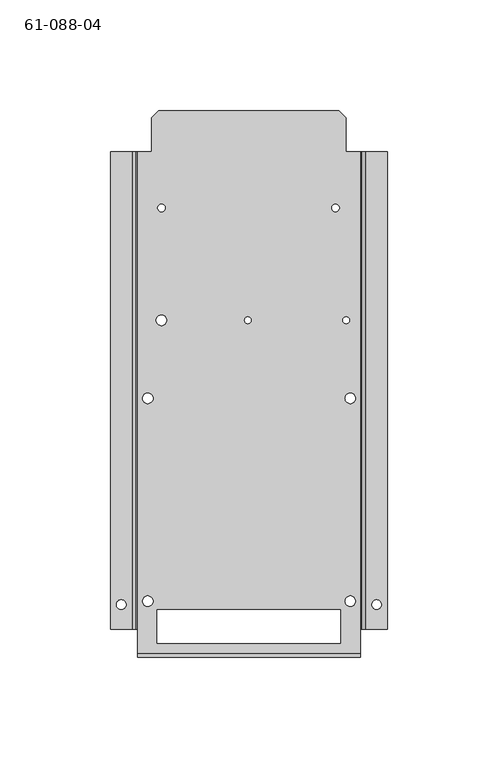
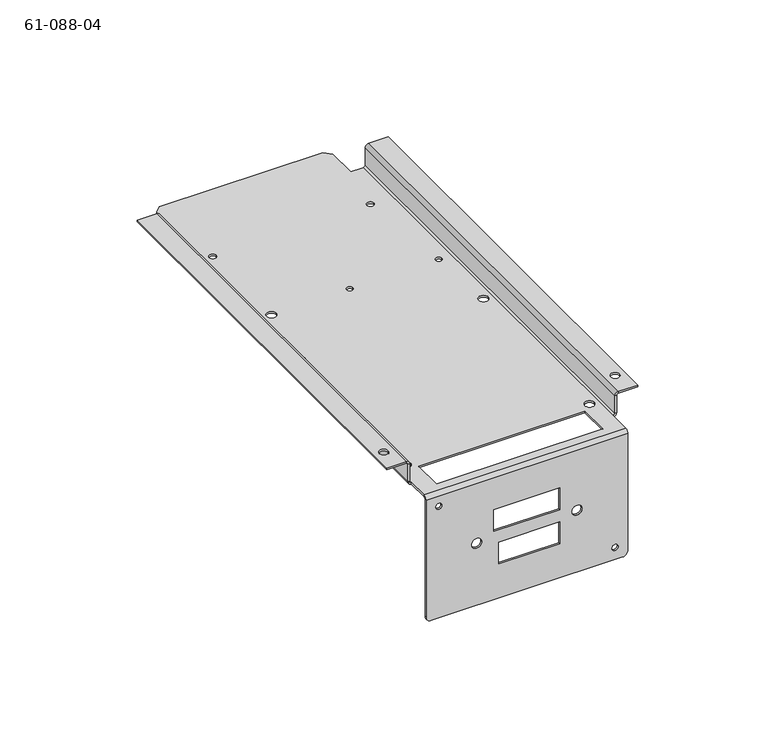
"""IFC4 building model written with IfcOpenShell, lengths in millimetres: proxy geometry, 61-088-04."""

import ifcopenshell
import ifcopenshell.guid

model = None  # the IFC model being written
_history = None  # IfcOwnerHistory: only IFC2X3 demands one
_inside = {}  # id of a spatial element -> (the spatial element, [elements in it])
_under = {}  # id of a project, library or spatial element -> (it, [spatial elements below it])
_declared = {}  # id of a project -> (the project, [libraries it declares])
_typed = {}  # id of a type object -> (the type object, [elements of that type])
_made_of = {}  # id of a material, layer set ... -> (it, [elements and type objects made of it])


def new_model(schema):
    """Start an empty IFC model of exactly this schema.

    Asked for "IFC4X3", IfcOpenShell would pick the latest addendum, in which some entities
    have other attributes; the version numbers below select the first issue.
    IFC2X3 requires an IfcOwnerHistory on every rooted entity: one is made here for all.
    """
    global model, _history
    if schema == "IFC4X3":
        model = ifcopenshell.file(schema_version=(4, 3, 0, 0))
    else:
        model = ifcopenshell.file(schema=schema)
    _inside.clear()
    _under.clear()
    _declared.clear()
    _typed.clear()
    _made_of.clear()
    _history = None
    if model.schema == "IFC2X3":
        org = make("IfcOrganization", Name="unknown")
        user = make(
            "IfcPersonAndOrganization",
            ThePerson=make("IfcPerson", FamilyName="unknown"),
            TheOrganization=org,
        )
        app = make(
            "IfcApplication",
            ApplicationDeveloper=org,
            Version="unknown",
            ApplicationFullName="unknown",
            ApplicationIdentifier="unknown",
        )
        _history = make(
            "IfcOwnerHistory",
            OwningUser=user,
            OwningApplication=app,
            ChangeAction="ADDED",
            CreationDate=0,
        )
    return model


def make(cls, **values):
    """One entity of the class cls with the attributes given. An attribute that is None is left unset."""
    return model.create_entity(
        cls, **{name: value for name, value in values.items() if value is not None}
    )


def rooted(cls, **values):
    """An entity with a GlobalId (a new one), such as an element, a storey or a relation."""
    return make(cls, GlobalId=ifcopenshell.guid.new(), OwnerHistory=_history, **values)


def si_unit(unit_type, name, prefix=None):
    """IfcSIUnit, for example si_unit("LENGTHUNIT", "METRE", prefix="MILLI")."""
    return make("IfcSIUnit", UnitType=unit_type, Prefix=prefix, Name=name)


def assignment(units):
    """IfcUnitAssignment: the units of a project."""
    return None if units is None else make("IfcUnitAssignment", Units=units)


def point(xyz):
    """IfcCartesianPoint."""
    return None if xyz is None else make("IfcCartesianPoint", Coordinates=xyz)


def direction(xyz):
    """IfcDirection."""
    return None if xyz is None else make("IfcDirection", DirectionRatios=xyz)


def frame(location, z_axis=None, x_axis=None):
    """IfcAxis2Placement3D, a coordinate frame: its origin and axes. An axis left out is left unset."""
    return make(
        "IfcAxis2Placement3D",
        Location=point(location),
        Axis=direction(z_axis),
        RefDirection=direction(x_axis),
    )


def origin():
    """The frame at (0, 0, 0) with its axes left unset."""
    return frame((0.0, 0.0, 0.0))


def place(relative_to, where):
    """IfcLocalPlacement: puts the frame where relative to a parent placement (None: the world)."""
    return make(
        "IfcLocalPlacement", PlacementRelTo=relative_to, RelativePlacement=where
    )


def context(
    kind, dimensions, precision=None, world=None, true_north=None, identifier=None
):
    """IfcGeometricRepresentationContext, for example the 3D "Model" context."""
    return make(
        "IfcGeometricRepresentationContext",
        ContextIdentifier=identifier,
        ContextType=kind,
        CoordinateSpaceDimension=dimensions,
        Precision=precision,
        WorldCoordinateSystem=world,
        TrueNorth=true_north,
    )


def project(units=None, contexts=None):
    """IfcProject with its units and contexts."""
    return rooted(
        "IfcProject",
        Name="project",
        RepresentationContexts=contexts,
        UnitsInContext=assignment(units),
    )


def spatial(cls, under=None, at=None, **own):
    """A site, building, storey or space (cls), placed at a placement, below another one or the project."""
    s = rooted(cls, ObjectPlacement=at, **own)
    if under is not None:
        _under.setdefault(under.id(), (under, []))[1].append(s)
    return s


def polyline(points):
    """IfcPolyline through the points."""
    return make("IfcPolyline", Points=[point(p) for p in points])


def circle_curve(where, radius):
    """IfcCircle in the frame where."""
    return make("IfcCircle", Position=where, Radius=radius)


def shape(context_of_items, identifier, shape_type, items):
    """IfcShapeRepresentation: the items that make up one representation, for example the "Body"."""
    return make(
        "IfcShapeRepresentation",
        ContextOfItems=context_of_items,
        RepresentationIdentifier=identifier,
        RepresentationType=shape_type,
        Items=items,
    )


def source(mapping_origin, context_of_items, identifier, shape_type, items):
    """IfcRepresentationMap: a shape defined once, which mapped items show again and again."""
    return make(
        "IfcRepresentationMap",
        MappingOrigin=mapping_origin,
        MappedRepresentation=shape(context_of_items, identifier, shape_type, items),
    )


def transform(
    local_origin,
    x_axis=None,
    y_axis=None,
    z_axis=None,
    scale=None,
    scale2=None,
    scale3=None,
    uniform=True,
):
    """IfcCartesianTransformationOperator3D, or its non-uniform kind. x_axis, y_axis, z_axis: its Axis1, 2, 3."""
    if uniform:
        return make(
            "IfcCartesianTransformationOperator3D",
            Axis1=direction(x_axis),
            Axis2=direction(y_axis),
            LocalOrigin=point(local_origin),
            Scale=scale,
            Axis3=direction(z_axis),
        )
    return make(
        "IfcCartesianTransformationOperator3DnonUniform",
        Axis1=direction(x_axis),
        Axis2=direction(y_axis),
        LocalOrigin=point(local_origin),
        Scale=scale,
        Axis3=direction(z_axis),
        Scale2=scale2,
        Scale3=scale3,
    )


def mapped(mapping_source, mapping_target):
    """IfcMappedItem: shows the shape of a source again, moved by a transform."""
    return make(
        "IfcMappedItem", MappingSource=mapping_source, MappingTarget=mapping_target
    )


def made_of(thing, what):
    """Note that an element or type object is made of a material, layer set ...; save() writes the relation."""
    if what is not None:
        _made_of.setdefault(what.id(), (what, []))[1].append(thing)
    return thing


def element(
    cls,
    number,
    at=None,
    inside=None,
    cuts=None,
    type_object=None,
    material=None,
    context=None,
    identifier="Body",
    shape_type=None,
    held_by="IfcProductDefinitionShape",
    body=None,
    shapes=None,
    **own,
):
    """One element of the class cls, such as IfcWall. Its Tag is "e" and its number.

    at: its placement. inside: the storey or other place that contains it. cuts: it is an
    opening in that element (IfcRelVoidsElement). A single representation is given by context,
    identifier, shape_type and body (its items); several are given by shapes. held_by: the class
    of the entity that holds the representations. save() writes the other relations.
    """
    e = rooted(cls, Tag="e%d" % number, ObjectPlacement=at, **own)
    if body is not None:
        shapes = [shape(context, identifier, shape_type, body)]
    if shapes is not None:
        e.Representation = make(held_by, Representations=shapes)
    if inside is not None:
        _inside.setdefault(inside.id(), (inside, []))[1].append(e)
    if cuts is not None:
        rooted(
            "IfcRelVoidsElement", RelatingBuildingElement=cuts, RelatedOpeningElement=e
        )
    if type_object is not None:
        _typed.setdefault(type_object.id(), (type_object, []))[1].append(e)
    return made_of(e, material)


def aggregate(whole, parts):
    """IfcRelAggregates: a whole, such as a stair, and the parts it consists of."""
    return rooted("IfcRelAggregates", RelatingObject=whole, RelatedObjects=parts)


def save(model, path):
    """Write the relations noted so far, then the file.

    IfcRelAggregates (storeys below a building ...), IfcRelContainedInSpatialStructure (elements
    in a storey), IfcRelDefinesByType, IfcRelAssociatesMaterial and IfcRelDeclares: one each for
    every whole, place, type object, material and project.
    """
    for whole, parts in _under.values():
        aggregate(whole, parts)
    for where, things in _inside.values():
        rooted(
            "IfcRelContainedInSpatialStructure",
            RelatedElements=things,
            RelatingStructure=where,
        )
    for kind, things in _typed.values():
        rooted("IfcRelDefinesByType", RelatedObjects=things, RelatingType=kind)
    for what, things in _made_of.values():
        rooted("IfcRelAssociatesMaterial", RelatedObjects=things, RelatingMaterial=what)
    for by, libraries in _declared.values():
        rooted("IfcRelDeclares", RelatingContext=by, RelatedDefinitions=libraries)
    model.write(path)


def plane_surface(at):
    """IfcPlane: the flat surface through the origin of the frame at, square to its z axis."""
    return make("IfcPlane", Position=at)


def cylinder_surface(at, radius):
    """IfcCylindricalSurface: all points at the distance radius from the z axis of the frame at."""
    return make("IfcCylindricalSurface", Position=at, Radius=radius)


def revolved_surface(curve, axis_point, axis_direction):
    """IfcSurfaceOfRevolution: the curve turned about the line through axis_point along axis_direction."""
    return make(
        "IfcSurfaceOfRevolution",
        SweptCurve=make("IfcArbitraryOpenProfileDef", ProfileType="CURVE", Curve=curve),
        AxisPosition=make("IfcAxis1Placement", Location=point(axis_point), Axis=direction(axis_direction)),
    )


def advanced_brep(points, edges, surfaces, faces):
    """IfcAdvancedBrep: a solid bounded by faces that lie on surfaces and meet in shared edges.

    An edge is (start, end): straight between two places in points (the first is 0);
    or (start, end, curve); or (start, end, curve, False) where it runs against its curve.
    A face is (place in surfaces, loops), or (place, loops, False) where it looks against
    its surface's normal. A loop lists edges by number (the first is 1), with a minus sign
    where the edge is run from its end to its start. The first loop is the outer one.
    """
    corners = [point(p) for p in points]
    vertices = [make("IfcVertexPoint", VertexGeometry=c) for c in corners]
    made = []
    for start, end, *more in edges:
        made.append(
            make(
                "IfcEdgeCurve",
                EdgeStart=vertices[start],
                EdgeEnd=vertices[end],
                EdgeGeometry=more[0] if more else make("IfcPolyline", Points=[corners[start], corners[end]]),
                SameSense=more[1] if len(more) > 1 else True,
            )
        )
    hull = []
    for where, loops, *sense in faces:
        bounds = []
        for j, loop in enumerate(loops):
            ring = [make("IfcOrientedEdge", EdgeElement=made[abs(k) - 1], Orientation=k > 0) for k in loop]
            bounds.append(
                make(
                    "IfcFaceOuterBound" if j == 0 else "IfcFaceBound",
                    Bound=make("IfcEdgeLoop", EdgeList=ring),
                    Orientation=True,
                )
            )
        hull.append(make("IfcAdvancedFace", Bounds=bounds, FaceSurface=surfaces[where], SameSense=sense[0] if sense else True))
    return make("IfcAdvancedBrep", Outer=make("IfcClosedShell", CfsFaces=hull))


def proxy_61_088_04_9e9f410b(model_context):
    return source(origin(), model_context, "Body", "AdvancedBrep", [
        advanced_brep(
        [(81.2097389, -62.0245937, 12.7), (81.2097389, -62.0245937, 11.8364), (85.5531389, -62.0245937, 11.8364), (85.5531389, -62.0245937, 12.7), (-34.3602611, -62.0245937, 12.7), (-34.3602611, -62.0245937, 11.8364), (-30.0168611, -62.0245937, 11.8364), (-30.0168611, -62.0245937, 12.7), (-17.817944, 31.2098567, 0.8636), (-17.817944, 31.2098567, 0.0), (-22.567744, 31.2098567, 0.0), (-22.567744, 31.2098567, 0.8636), (73.876056, -60.4841444, 0.8636), (73.876056, -60.4841444, 0.0), (69.126256, -60.4841444, 0.0), (69.126256, -60.4841444, 0.8636), (-17.817944, -60.4841444, 0.8636), (-17.817944, -60.4841444, 0.0), (-22.567744, -60.4841444, 0.0), (-22.567744, -60.4841444, 0.8636), (73.876056, 31.2098567, 0.8636), (73.876056, 31.2098567, 0.0), (69.126256, 31.2098567, 0.0), (69.126256, 31.2098567, 0.8636), (-12.2555, 117.3158556, 0.8636), (-12.2555, 117.3158556, 0.0), (-15.6845, 117.3158556, 0.0), (-15.6845, 117.3158556, 0.8636), (-11.5951, 66.5158556, 0.8636), (-11.5951, 66.5158556, 0.0), (-16.3449, 66.5158556, 0.0), (-16.3449, 66.5158556, 0.8636), (26.658595, 66.5158556, 0.8636), (26.658595, 66.5158556, 0.0), (23.610595, 66.5158556, 0.0), (23.610595, 66.5158556, 0.8636), (71.108595, 66.5158556, 0.8636), (71.108595, 66.5158556, 0.0), (68.060595, 66.5158556, 0.0), (68.060595, 66.5158556, 0.8636), (66.4845, 117.3158556, 0.8636), (66.4845, 117.3158556, 0.0), (63.0555, 117.3158556, 0.0), (63.0555, 117.3158556, 0.8636), (-1.9428611, -85.0205444, -32.4764), (-1.9428611, -85.8841444, -32.4764), (3.1371389, -85.8841444, -32.4764), (3.1371389, -85.0205444, -32.4764), (48.0571389, -85.0205444, -32.4764), (48.0571389, -85.8841444, -32.4764), (53.1371389, -85.8841444, -32.4764), (53.1371389, -85.0205444, -32.4764), (68.0652389, -85.0205444, -58.8264), (68.0652389, -85.8841444, -58.8264), (71.1132389, -85.8841444, -58.8264), (71.1132389, -85.0205444, -58.8264), (-19.9203611, -85.0205444, -6.35), (-19.9203611, -85.8841444, -6.35), (-16.8723611, -85.8841444, -6.35), (-16.8723611, -85.0205444, -6.35), (67.0492389, -79.5341444, 0.0), (-15.8563611, -79.5341444, 0.0), (-15.8563611, -79.5341444, 0.8636), (67.0492389, -79.5341444, 0.8636), (-15.8563611, -64.2941444, 0.0), (-15.8563611, -64.2941444, 0.8636), (67.0492389, -64.2941444, 0.0), (67.0492389, -64.2941444, 0.8636), (75.9392389, -85.8841444, -62.6364), (73.3992389, -85.8841444, -65.1764), (73.3992389, -85.0205444, -65.1764), (75.9392389, -85.0205444, -62.6364), (75.9392389, -85.0205444, -0.8636), (75.9392389, -85.8841444, -0.8636), (-22.2063611, -85.0205444, -65.1764), (-24.7463611, -85.0205444, -62.6364), (-24.7463611, -85.0205444, -0.8636), (42.1064389, -85.0205444, -35.7614), (11.6264389, -85.0205444, -35.7614), (11.6264389, -85.0205444, -47.1914), (42.1064389, -85.0205444, -47.1914), (42.1064389, -85.0205444, -17.7614), (9.0864389, -85.0205444, -17.7614), (9.0864389, -85.0205444, -29.1914), (42.1064389, -85.0205444, -29.1914), (-22.2063611, -85.8841444, -65.1764), (-24.7463611, -85.8841444, -62.6364), (-24.7463611, -85.8841444, -0.8636), (42.1064389, -85.8841444, -35.7614), (11.6264389, -85.8841444, -35.7614), (11.6264389, -85.8841444, -47.1914), (42.1064389, -85.8841444, -47.1914), (42.1064389, -85.8841444, -17.7614), (9.0864389, -85.8841444, -17.7614), (9.0864389, -85.8841444, -29.1914), (42.1064389, -85.8841444, -29.1914), (75.9392389, -84.1569444, 0.8636), (-24.7463611, -84.1569444, 0.8636), (75.9392389, -84.1569444, 0.0), (-24.7463611, -84.1569444, 0.0), (-24.7463611, -73.1841444, 0.8636), (-24.7463611, -73.1841444, 0.0), (75.9392389, -73.1841444, 0.8636), (75.9392389, 142.7158556, 0.8636), (69.5525621, 142.7158556, 0.8636), (69.5525621, 158.1347723, 0.8636), (66.3786789, 161.3086556, 0.8636), (-15.1832611, 161.3086556, 0.8636), (-18.3596844, 158.1322323, 0.8636), (-18.3596844, 142.7158556, 0.8636), (-24.7463611, 142.7158556, 0.8636), (75.9392389, -73.1841444, 0.0), (-18.3596844, 158.1322323, 0.0), (-18.3596844, 142.7158556, 0.0), (-15.1832611, 161.3086556, 0.0), (66.3786789, 161.3086556, 0.0), (69.5525621, 158.1347723, 0.0), (69.5525621, 142.7158556, 0.0), (75.9392389, 142.7158556, 0.0), (-24.7463611, 142.7158556, 0.0), (78.5300389, 142.7158556, 11.8364), (78.5300389, -73.1841444, 11.8364), (77.6664389, -73.1841444, 10.9728), (77.6664389, 142.7158556, 10.9728), (78.5300389, 142.7158556, 12.7), (88.2328389, 142.7158556, 12.7), (88.2328389, 142.7158556, 11.8364), (78.5300389, -73.1841444, 12.7), (88.2328389, -73.1841444, 12.7), (76.8028389, -73.1841444, 10.9728), (76.8028389, 142.7158556, 10.9728), (88.2328389, -73.1841444, 11.8364), (-27.3371611, -73.1841444, 11.8364), (-27.3371611, 142.7158556, 11.8364), (-26.4735611, 142.7158556, 10.9728), (-26.4735611, -73.1841444, 10.9728), (-27.3371611, -73.1841444, 12.7), (-37.0399611, -73.1841444, 12.7), (-37.0399611, -73.1841444, 11.8364), (-27.3371611, 142.7158556, 12.7), (-37.0399611, 142.7158556, 12.7), (-25.6099611, 142.7158556, 10.9728), (-25.6099611, -73.1841444, 10.9728), (-37.0399611, 142.7158556, 11.8364), (76.8028389, -73.1841444, 1.7272), (77.6664389, -73.1841444, 1.7272), (76.8028389, 142.7158556, 1.7272), (77.6664389, 142.7158556, 1.7272), (-25.6099611, 142.7158556, 1.7272), (-26.4735611, 142.7158556, 1.7272), (-25.6099611, -73.1841444, 1.7272), (-26.4735611, -73.1841444, 1.7272)],
        [
            (0, 1),
            (1, 2, circle_curve(frame((83.3814389, -62.0245937, 11.8364), z_axis=(0.0, 0.0, -1.0), x_axis=(-1.0, 0.0, 0.0)), 2.1717)),
            (2, 3),
            (3, 0, circle_curve(frame((83.3814389, -62.0245937, 12.7), z_axis=(0.0, 0.0, 1.0), x_axis=(-1.0, 0.0, 0.0)), 2.1717)),
            (4, 5),
            (5, 6, circle_curve(frame((-32.1885611, -62.0245937, 11.8364), z_axis=(0.0, 0.0, -1.0), x_axis=(-1.0, 0.0, 0.0)), 2.1717)),
            (6, 7),
            (7, 4, circle_curve(frame((-32.1885611, -62.0245937, 12.7), z_axis=(0.0, 0.0, 1.0), x_axis=(-1.0, 0.0, 0.0)), 2.1717)),
            (8, 9),
            (9, 10, circle_curve(frame((-20.192844, 31.2098567, 0.0), z_axis=(0.0, 0.0, -1.0), x_axis=(1.0, 0.0, 0.0)), 2.3749)),
            (10, 11),
            (11, 8, circle_curve(frame((-20.192844, 31.2098567, 0.8636), z_axis=(0.0, 0.0, 1.0), x_axis=(1.0, 0.0, 0.0)), 2.3749)),
            (12, 13),
            (13, 14, circle_curve(frame((71.501156, -60.4841444, 0.0), z_axis=(0.0, 0.0, -1.0), x_axis=(1.0, 0.0, 0.0)), 2.3749)),
            (14, 15),
            (15, 12, circle_curve(frame((71.501156, -60.4841444, 0.8636), z_axis=(0.0, 0.0, 1.0), x_axis=(1.0, 0.0, 0.0)), 2.3749)),
            (16, 17),
            (17, 18, circle_curve(frame((-20.192844, -60.4841444, 0.0), z_axis=(0.0, 0.0, -1.0), x_axis=(1.0, 0.0, 0.0)), 2.3749)),
            (18, 19),
            (19, 16, circle_curve(frame((-20.192844, -60.4841444, 0.8636), z_axis=(0.0, 0.0, 1.0), x_axis=(1.0, 0.0, 0.0)), 2.3749)),
            (20, 21),
            (21, 22, circle_curve(frame((71.501156, 31.2098567, 0.0), z_axis=(0.0, 0.0, -1.0), x_axis=(1.0, 0.0, 0.0)), 2.3749)),
            (22, 23),
            (23, 20, circle_curve(frame((71.501156, 31.2098567, 0.8636), z_axis=(0.0, 0.0, 1.0), x_axis=(1.0, 0.0, 0.0)), 2.3749)),
            (24, 25),
            (25, 26, circle_curve(frame((-13.97, 117.3158556, 0.0), z_axis=(0.0, 0.0, -1.0), x_axis=(1.0, 0.0, 0.0)), 1.7145)),
            (26, 27),
            (27, 24, circle_curve(frame((-13.97, 117.3158556, 0.8636), z_axis=(0.0, 0.0, 1.0), x_axis=(1.0, 0.0, 0.0)), 1.7145)),
            (28, 29),
            (29, 30, circle_curve(frame((-13.97, 66.5158556, 0.0), z_axis=(0.0, 0.0, -1.0), x_axis=(1.0, 0.0, 0.0)), 2.3749)),
            (30, 31),
            (31, 28, circle_curve(frame((-13.97, 66.5158556, 0.8636), z_axis=(0.0, 0.0, 1.0), x_axis=(1.0, 0.0, 0.0)), 2.3749)),
            (32, 33),
            (33, 34, circle_curve(frame((25.134595, 66.5158556, 0.0), z_axis=(0.0, 0.0, -1.0), x_axis=(1.0, 0.0, 0.0)), 1.524)),
            (34, 35),
            (35, 32, circle_curve(frame((25.134595, 66.5158556, 0.8636), z_axis=(0.0, 0.0, 1.0), x_axis=(1.0, 0.0, 0.0)), 1.524)),
            (36, 37),
            (37, 38, circle_curve(frame((69.584595, 66.5158556, 0.0), z_axis=(0.0, 0.0, -1.0), x_axis=(1.0, 0.0, 0.0)), 1.524)),
            (38, 39),
            (39, 36, circle_curve(frame((69.584595, 66.5158556, 0.8636), z_axis=(0.0, 0.0, 1.0), x_axis=(1.0, 0.0, 0.0)), 1.524)),
            (40, 41),
            (41, 42, circle_curve(frame((64.77, 117.3158556, 0.0), z_axis=(0.0, 0.0, -1.0), x_axis=(1.0, 0.0, 0.0)), 1.7145)),
            (42, 43),
            (43, 40, circle_curve(frame((64.77, 117.3158556, 0.8636), z_axis=(0.0, 0.0, 1.0), x_axis=(1.0, 0.0, 0.0)), 1.7145)),
            (44, 45),
            (45, 46, circle_curve(frame((0.5971389, -85.8841444, -32.4764), z_axis=(0.0, -1.0, 0.0), x_axis=(-1.0, 0.0, 0.0)), 2.54)),
            (46, 47),
            (47, 44, circle_curve(frame((0.5971389, -85.0205444, -32.4764), z_axis=(0.0, 1.0, 0.0), x_axis=(-1.0, 0.0, 0.0)), 2.54)),
            (48, 49),
            (49, 50, circle_curve(frame((50.5971389, -85.8841444, -32.4764), z_axis=(0.0, -1.0, 0.0), x_axis=(-1.0, 0.0, 0.0)), 2.54)),
            (50, 51),
            (51, 48, circle_curve(frame((50.5971389, -85.0205444, -32.4764), z_axis=(0.0, 1.0, 0.0), x_axis=(-1.0, 0.0, 0.0)), 2.54)),
            (52, 53),
            (53, 54, circle_curve(frame((69.5892389, -85.8841444, -58.8264), z_axis=(0.0, -1.0, 0.0), x_axis=(-1.0, 0.0, 0.0)), 1.524)),
            (54, 55),
            (55, 52, circle_curve(frame((69.5892389, -85.0205444, -58.8264), z_axis=(0.0, 1.0, 0.0), x_axis=(-1.0, 0.0, 0.0)), 1.524)),
            (56, 57),
            (57, 58, circle_curve(frame((-18.3963611, -85.8841444, -6.35), z_axis=(0.0, -1.0, 0.0), x_axis=(-1.0, 0.0, 0.0)), 1.524)),
            (58, 59),
            (59, 56, circle_curve(frame((-18.3963611, -85.0205444, -6.35), z_axis=(0.0, 1.0, 0.0), x_axis=(-1.0, 0.0, 0.0)), 1.524)),
            (60, 61),
            (61, 62),
            (62, 63),
            (63, 60),
            (61, 64),
            (64, 65),
            (65, 62),
            (64, 66),
            (66, 67),
            (67, 65),
            (66, 60),
            (63, 67),
            (68, 69, circle_curve(frame((73.3992389, -85.8841444, -62.6364), z_axis=(0.0, 1.0, 0.0), x_axis=(0.7071067811865476, 0.0, -0.7071067811865476)), 2.54)),
            (69, 70),
            (70, 71, circle_curve(frame((73.3992389, -85.0205444, -62.6364), z_axis=(0.0, -1.0, 0.0), x_axis=(0.7071067811865476, 0.0, -0.7071067811865476)), 2.54)),
            (71, 68),
            (71, 72),
            (72, 73),
            (73, 68),
            (70, 74),
            (74, 75, circle_curve(frame((-22.2063611, -85.0205444, -62.6364), z_axis=(0.0, 1.0, 0.0), x_axis=(-0.7071067811865511, 0.0, -0.7071067811865437)), 2.54)),
            (75, 76),
            (76, 72),
            (59, 56, circle_curve(frame((-18.3963611, -85.0205444, -6.35), z_axis=(0.0, -1.0, 0.0), x_axis=(-1.0, 0.0, 0.0)), 1.524)),
            (55, 52, circle_curve(frame((69.5892389, -85.0205444, -58.8264), z_axis=(0.0, -1.0, 0.0), x_axis=(-1.0, 0.0, 0.0)), 1.524)),
            (51, 48, circle_curve(frame((50.5971389, -85.0205444, -32.4764), z_axis=(0.0, -1.0, 0.0), x_axis=(-1.0, 0.0, 0.0)), 2.54)),
            (47, 44, circle_curve(frame((0.5971389, -85.0205444, -32.4764), z_axis=(0.0, -1.0, 0.0), x_axis=(-1.0, 0.0, 0.0)), 2.54)),
            (77, 78),
            (78, 79),
            (79, 80),
            (80, 77),
            (81, 82),
            (82, 83),
            (83, 84),
            (84, 81),
            (85, 86, circle_curve(frame((-22.2063611, -85.8841444, -62.6364), z_axis=(0.0, 1.0, 0.0), x_axis=(-0.7071067811865511, 0.0, -0.7071067811865437)), 2.54)),
            (86, 75),
            (74, 85),
            (86, 87),
            (87, 76),
            (58, 57, circle_curve(frame((-18.3963611, -85.8841444, -6.35), z_axis=(0.0, -1.0, 0.0), x_axis=(-1.0, 0.0, 0.0)), 1.524)),
            (54, 53, circle_curve(frame((69.5892389, -85.8841444, -58.8264), z_axis=(0.0, -1.0, 0.0), x_axis=(-1.0, 0.0, 0.0)), 1.524)),
            (50, 49, circle_curve(frame((50.5971389, -85.8841444, -32.4764), z_axis=(0.0, -1.0, 0.0), x_axis=(-1.0, 0.0, 0.0)), 2.54)),
            (46, 45, circle_curve(frame((0.5971389, -85.8841444, -32.4764), z_axis=(0.0, -1.0, 0.0), x_axis=(-1.0, 0.0, 0.0)), 2.54)),
            (88, 89),
            (89, 78),
            (77, 88),
            (89, 90),
            (90, 79),
            (90, 91),
            (91, 80),
            (91, 88),
            (92, 93),
            (93, 82),
            (81, 92),
            (93, 94),
            (94, 83),
            (94, 95),
            (95, 84),
            (95, 92),
            (87, 73),
            (73, 96, circle_curve(frame((75.9392389, -84.1569444, -0.8636), z_axis=(-1.0, 0.0, 0.0), x_axis=(0.0, 0.0, 1.0)), 1.7272)),
            (96, 97),
            (97, 87, circle_curve(frame((-24.7463611, -84.1569444, -0.8636), z_axis=(1.0, 0.0, 0.0), x_axis=(0.0, 0.0, 1.0)), 1.7272)),
            (72, 98, circle_curve(frame((75.9392389, -84.1569444, -0.8636), z_axis=(-1.0, 0.0, 0.0), x_axis=(0.0, 0.0, 1.0)), 0.8636)),
            (98, 96),
            (97, 99),
            (99, 76, circle_curve(frame((-24.7463611, -84.1569444, -0.8636), z_axis=(1.0, 0.0, 0.0), x_axis=(0.0, 0.0, 1.0)), 0.8636)),
            (69, 85),
            (99, 98),
            (97, 100),
            (100, 101),
            (101, 99),
            (96, 102),
            (102, 103),
            (103, 104),
            (104, 105),
            (105, 106),
            (106, 107),
            (107, 108),
            (108, 109),
            (109, 110),
            (110, 100),
            (11, 8, circle_curve(frame((-20.192844, 31.2098567, 0.8636), z_axis=(0.0, 0.0, -1.0), x_axis=(1.0, 0.0, 0.0)), 2.3749)),
            (15, 12, circle_curve(frame((71.501156, -60.4841444, 0.8636), z_axis=(0.0, 0.0, -1.0), x_axis=(1.0, 0.0, 0.0)), 2.3749)),
            (19, 16, circle_curve(frame((-20.192844, -60.4841444, 0.8636), z_axis=(0.0, 0.0, -1.0), x_axis=(1.0, 0.0, 0.0)), 2.3749)),
            (23, 20, circle_curve(frame((71.501156, 31.2098567, 0.8636), z_axis=(0.0, 0.0, -1.0), x_axis=(1.0, 0.0, 0.0)), 2.3749)),
            (27, 24, circle_curve(frame((-13.97, 117.3158556, 0.8636), z_axis=(0.0, 0.0, -1.0), x_axis=(1.0, 0.0, 0.0)), 1.7145)),
            (31, 28, circle_curve(frame((-13.97, 66.5158556, 0.8636), z_axis=(0.0, 0.0, -1.0), x_axis=(1.0, 0.0, 0.0)), 2.3749)),
            (35, 32, circle_curve(frame((25.134595, 66.5158556, 0.8636), z_axis=(0.0, 0.0, -1.0), x_axis=(1.0, 0.0, 0.0)), 1.524)),
            (39, 36, circle_curve(frame((69.584595, 66.5158556, 0.8636), z_axis=(0.0, 0.0, -1.0), x_axis=(1.0, 0.0, 0.0)), 1.524)),
            (43, 40, circle_curve(frame((64.77, 117.3158556, 0.8636), z_axis=(0.0, 0.0, -1.0), x_axis=(1.0, 0.0, 0.0)), 1.7145)),
            (98, 111),
            (111, 102),
            (42, 41, circle_curve(frame((64.77, 117.3158556, 0.0), z_axis=(0.0, 0.0, -1.0), x_axis=(1.0, 0.0, 0.0)), 1.7145)),
            (38, 37, circle_curve(frame((69.584595, 66.5158556, 0.0), z_axis=(0.0, 0.0, -1.0), x_axis=(1.0, 0.0, 0.0)), 1.524)),
            (34, 33, circle_curve(frame((25.134595, 66.5158556, 0.0), z_axis=(0.0, 0.0, -1.0), x_axis=(1.0, 0.0, 0.0)), 1.524)),
            (30, 29, circle_curve(frame((-13.97, 66.5158556, 0.0), z_axis=(0.0, 0.0, -1.0), x_axis=(1.0, 0.0, 0.0)), 2.3749)),
            (26, 25, circle_curve(frame((-13.97, 117.3158556, 0.0), z_axis=(0.0, 0.0, -1.0), x_axis=(1.0, 0.0, 0.0)), 1.7145)),
            (108, 112),
            (112, 113),
            (113, 109),
            (107, 114),
            (114, 112),
            (106, 115),
            (115, 114),
            (105, 116),
            (116, 115),
            (104, 117),
            (117, 116),
            (103, 118),
            (118, 117),
            (113, 119),
            (119, 110),
            (22, 21, circle_curve(frame((71.501156, 31.2098567, 0.0), z_axis=(0.0, 0.0, -1.0), x_axis=(1.0, 0.0, 0.0)), 2.3749)),
            (18, 17, circle_curve(frame((-20.192844, -60.4841444, 0.0), z_axis=(0.0, 0.0, -1.0), x_axis=(1.0, 0.0, 0.0)), 2.3749)),
            (14, 13, circle_curve(frame((71.501156, -60.4841444, 0.0), z_axis=(0.0, 0.0, -1.0), x_axis=(1.0, 0.0, 0.0)), 2.3749)),
            (10, 9, circle_curve(frame((-20.192844, 31.2098567, 0.0), z_axis=(0.0, 0.0, -1.0), x_axis=(1.0, 0.0, 0.0)), 2.3749)),
            (4, 7, circle_curve(frame((-32.1885611, -62.0245937, 12.7), z_axis=(0.0, 0.0, 1.0), x_axis=(-1.0, 0.0, 0.0)), 2.1717)),
            (6, 5, circle_curve(frame((-32.1885611, -62.0245937, 11.8364), z_axis=(0.0, 0.0, -1.0), x_axis=(-1.0, 0.0, 0.0)), 2.1717)),
            (0, 3, circle_curve(frame((83.3814389, -62.0245937, 12.7), z_axis=(0.0, 0.0, 1.0), x_axis=(-1.0, 0.0, 0.0)), 2.1717)),
            (2, 1, circle_curve(frame((83.3814389, -62.0245937, 11.8364), z_axis=(0.0, 0.0, -1.0), x_axis=(-1.0, 0.0, 0.0)), 2.1717)),
            (120, 121),
            (121, 122, circle_curve(frame((78.5300389, -73.1841444, 10.9728), z_axis=(0.0, -1.0, 0.0), x_axis=(-1.0, 0.0, 0.0)), 0.8636)),
            (122, 123),
            (123, 120, circle_curve(frame((78.5300389, 142.7158556, 10.9728), z_axis=(0.0, 1.0, 0.0), x_axis=(-1.0, 0.0, 0.0)), 0.8636)),
            (120, 124),
            (124, 125),
            (125, 126),
            (126, 120),
            (124, 127),
            (127, 128),
            (128, 125),
            (121, 127),
            (127, 129, circle_curve(frame((78.5300389, -73.1841444, 10.9728), z_axis=(0.0, -1.0, 0.0), x_axis=(-1.0, 0.0, 0.0)), 1.7272)),
            (129, 122),
            (123, 130),
            (130, 124, circle_curve(frame((78.5300389, 142.7158556, 10.9728), z_axis=(0.0, 1.0, 0.0), x_axis=(-1.0, 0.0, 0.0)), 1.7272)),
            (121, 131),
            (131, 128),
            (131, 126),
            (130, 129),
            (132, 133),
            (133, 134, circle_curve(frame((-27.3371611, 142.7158556, 10.9728), z_axis=(0.0, 1.0, 0.0), x_axis=(1.0, 0.0, 0.0)), 0.8636)),
            (134, 135),
            (135, 132, circle_curve(frame((-27.3371611, -73.1841444, 10.9728), z_axis=(0.0, -1.0, 0.0), x_axis=(1.0, 0.0, 0.0)), 0.8636)),
            (132, 136),
            (136, 137),
            (137, 138),
            (138, 132),
            (136, 139),
            (139, 140),
            (140, 137),
            (133, 139),
            (139, 141, circle_curve(frame((-27.3371611, 142.7158556, 10.9728), z_axis=(0.0, 1.0, 0.0), x_axis=(1.0, 0.0, 0.0)), 1.7272)),
            (141, 134),
            (135, 142),
            (142, 136, circle_curve(frame((-27.3371611, -73.1841444, 10.9728), z_axis=(0.0, -1.0, 0.0), x_axis=(1.0, 0.0, 0.0)), 1.7272)),
            (133, 143),
            (143, 140),
            (143, 138),
            (142, 141),
            (129, 144),
            (144, 145),
            (145, 122),
            (130, 146),
            (146, 144),
            (123, 147),
            (147, 146),
            (141, 148),
            (148, 149),
            (149, 134),
            (142, 150),
            (150, 148),
            (135, 151),
            (151, 150),
            (151, 149),
            (149, 119, circle_curve(frame((-24.7463611, 142.7158556, 1.7272), z_axis=(0.0, -1.0, 0.0), x_axis=(0.0, 0.0, -1.0)), 1.7272)),
            (119, 101),
            (101, 151, circle_curve(frame((-24.7463611, -73.1841444, 1.7272), z_axis=(0.0, 1.0, 0.0), x_axis=(0.0, 0.0, -1.0)), 1.7272)),
            (148, 110, circle_curve(frame((-24.7463611, 142.7158556, 1.7272), z_axis=(0.0, -1.0, 0.0), x_axis=(0.0, 0.0, -1.0)), 0.8636)),
            (100, 150, circle_curve(frame((-24.7463611, -73.1841444, 1.7272), z_axis=(0.0, 1.0, 0.0), x_axis=(0.0, 0.0, -1.0)), 0.8636)),
            (147, 145),
            (145, 111, circle_curve(frame((75.9392389, -73.1841444, 1.7272), z_axis=(0.0, 1.0, 0.0), x_axis=(0.0, 0.0, -1.0)), 1.7272)),
            (111, 118),
            (118, 147, circle_curve(frame((75.9392389, 142.7158556, 1.7272), z_axis=(0.0, -1.0, 0.0), x_axis=(0.0, 0.0, -1.0)), 1.7272)),
            (144, 102, circle_curve(frame((75.9392389, -73.1841444, 1.7272), z_axis=(0.0, 1.0, 0.0), x_axis=(0.0, 0.0, -1.0)), 0.8636)),
            (103, 146, circle_curve(frame((75.9392389, 142.7158556, 1.7272), z_axis=(0.0, -1.0, 0.0), x_axis=(0.0, 0.0, -1.0)), 0.8636)),
        ],
        [
            revolved_surface(polyline([(81.2097389, -62.0245937, 11.8364), (81.2097389, -62.0245937, 12.7)]), (83.3814389, -62.0245937, 12.2682), (0.0, 0.0, -1.0)),
            revolved_surface(polyline([(-34.3602611, -62.0245937, 11.8364), (-34.3602611, -62.0245937, 12.7)]), (-32.1885611, -62.0245937, 12.2682), (0.0, 0.0, -1.0)),
            revolved_surface(polyline([(-17.817944, 31.2098567, 0.8636), (-17.817944, 31.2098567, 0.0)]), (-20.192844, 31.2098567, 0.0), (0.0, 0.0, 1.0)),
            revolved_surface(polyline([(73.87605599999999, -60.4841444, 0.8636), (73.87605599999999, -60.4841444, 0.0)]), (71.501156, -60.4841444, 0.0), (0.0, 0.0, 1.0)),
            revolved_surface(polyline([(-17.817944, -60.4841444, 0.8636), (-17.817944, -60.4841444, 0.0)]), (-20.192844, -60.4841444, 0.0), (0.0, 0.0, 1.0)),
            revolved_surface(polyline([(73.87605599999999, 31.2098567, 0.8636), (73.87605599999999, 31.2098567, 0.0)]), (71.501156, 31.2098567, 0.0), (0.0, 0.0, 1.0)),
            revolved_surface(polyline([(-12.255500000000001, 117.3158556, 0.8636), (-12.255500000000001, 117.3158556, 0.0)]), (-13.97, 117.3158556, 0.0), (0.0, 0.0, 1.0)),
            revolved_surface(polyline([(-11.5951, 66.5158556, 0.8636), (-11.5951, 66.5158556, 0.0)]), (-13.97, 66.5158556, 0.0), (0.0, 0.0, 1.0)),
            revolved_surface(polyline([(26.658595000000002, 66.5158556, 0.8636), (26.658595000000002, 66.5158556, 0.0)]), (25.134595, 66.5158556, 0.0), (0.0, 0.0, 1.0)),
            revolved_surface(polyline([(71.108595, 66.5158556, 0.8636), (71.108595, 66.5158556, 0.0)]), (69.584595, 66.5158556, 0.0), (0.0, 0.0, 1.0)),
            revolved_surface(polyline([(66.4845, 117.3158556, 0.8636), (66.4845, 117.3158556, 0.0)]), (64.77, 117.3158556, 0.0), (0.0, 0.0, 1.0)),
            revolved_surface(polyline([(-1.9428611, -85.0205444, -32.4764), (-1.9428611, -85.8841444, -32.4764)]), (0.5971389, -85.8841444, -32.4764), (0.0, 1.0, 0.0)),
            revolved_surface(polyline([(48.0571389, -85.0205444, -32.4764), (48.0571389, -85.8841444, -32.4764)]), (50.5971389, -85.8841444, -32.4764), (0.0, 1.0, 0.0)),
            revolved_surface(polyline([(68.0652389, -85.0205444, -58.8264), (68.0652389, -85.8841444, -58.8264)]), (69.5892389, -85.8841444, -58.8264), (0.0, 1.0, 0.0)),
            revolved_surface(polyline([(-19.9203611, -85.0205444, -6.35), (-19.9203611, -85.8841444, -6.35)]), (-18.3963611, -85.8841444, -6.35), (0.0, 1.0, 0.0)),
            plane_surface(frame((-15.8563611, -79.5341444, 0.0), z_axis=(0.0, 1.0, 0.0), x_axis=(1.0, 0.0, 0.0))),
            plane_surface(frame((-15.8563611, -64.2941444, 0.0), z_axis=(1.0, 0.0, 0.0), x_axis=(0.0, -1.0, 0.0))),
            plane_surface(frame((67.0492389, -64.2941444, 0.0), z_axis=(0.0, -1.0, 0.0), x_axis=(-1.0, 0.0, 0.0))),
            plane_surface(frame((67.0492389, -79.5341444, 0.0), z_axis=(-1.0, 0.0, 0.0), x_axis=(0.0, 1.0, 0.0))),
            cylinder_surface(frame((73.3992389, -85.0205444, -62.6364), z_axis=(0.0, -1.0000000000000002, 0.0), x_axis=(0.7071067811865476, 0.0, -0.7071067811865476)), 2.54),
            plane_surface(frame((75.9392389, -85.0205444, -0.8636), z_axis=(1.0, 0.0, 0.0), x_axis=(0.0, 1.0, 0.0))),
            plane_surface(frame((25.5964389, -85.0205444, -32.0432914), z_axis=(0.0, 1.0, 0.0), x_axis=(1.0, 0.0, 0.0))),
            cylinder_surface(frame((-22.2063611, -85.0205444, -62.6364), z_axis=(0.0, -0.9999999999999997, 0.0), x_axis=(-0.7071067811865511, 0.0, -0.7071067811865437)), 2.54),
            plane_surface(frame((-24.7463611, -85.0205444, -0.8636), z_axis=(-1.0, 0.0, 0.0), x_axis=(0.0, -1.0, 0.0))),
            plane_surface(frame((11.6264389, -85.8841444, -35.7614), z_axis=(0.0, 0.0, -1.0), x_axis=(1.0, 0.0, 0.0))),
            plane_surface(frame((11.6264389, -85.8841444, -47.1914), z_axis=(1.0, 0.0, 0.0), x_axis=(0.0, 0.0, 1.0))),
            plane_surface(frame((42.1064389, -85.8841444, -47.1914), z_axis=(0.0, 0.0, 1.0), x_axis=(-1.0, 0.0, 0.0))),
            plane_surface(frame((42.1064389, -85.8841444, -35.7614), z_axis=(-1.0, 0.0, 0.0), x_axis=(0.0, 0.0, -1.0))),
            plane_surface(frame((9.0864389, -85.8841444, -17.7614), z_axis=(0.0, 0.0, -1.0), x_axis=(1.0, 0.0, 0.0))),
            plane_surface(frame((9.0864389, -85.8841444, -29.1914), z_axis=(1.0, 0.0, 0.0), x_axis=(0.0, 0.0, 1.0))),
            plane_surface(frame((42.1064389, -85.8841444, -29.1914), z_axis=(0.0, 0.0, 1.0), x_axis=(-1.0, 0.0, 0.0))),
            plane_surface(frame((42.1064389, -85.8841444, -17.7614), z_axis=(-1.0, 0.0, 0.0), x_axis=(0.0, 0.0, -1.0))),
            cylinder_surface(frame((25.5964389, -84.1569444, -0.8636), z_axis=(1.0, 0.0, 0.0), x_axis=(0.0, 0.0, 1.0)), 1.7272),
            plane_surface(frame((75.9392389, -85.0205444, -0.8636), z_axis=(1.0, 0.0, 0.0), x_axis=(0.0, 0.0, -1.0))),
            plane_surface(frame((-24.7463611, -85.8841444, -0.8636), z_axis=(-1.0, 0.0, 0.0), x_axis=(0.0, 0.0, 1.0))),
            plane_surface(frame((75.9392389, -85.0205444, -65.1764), z_axis=(0.0, 0.0, -1.0), x_axis=(0.0, 1.0, 0.0))),
            plane_surface(frame((25.5964389, -85.8841444, -32.0432914), z_axis=(0.0, -1.0, 0.0), x_axis=(1.0, 0.0, 0.0))),
            revolved_surface(polyline([(75.9392389, -84.1569444, 0.0), (-24.746361099999998, -84.1569444, 0.0)]), (25.5964389, -84.1569444, -0.8636), (1.0, 0.0, 0.0)),
            plane_surface(frame((-24.7463611, -85.8841444, 0.0), z_axis=(-1.0, 0.0, 0.0), x_axis=(0.0, 0.0, 1.0))),
            plane_surface(frame((25.5964389, 34.7658556, 0.8636), z_axis=(0.0, 0.0, 1.0), x_axis=(1.0, 0.0, 0.0))),
            plane_surface(frame((75.9392389, -73.1841444, 0.0), z_axis=(1.0, 0.0, 0.0), x_axis=(0.0, 0.0, -1.0))),
            plane_surface(frame((-18.3596844, 142.7158556, 0.0), z_axis=(-1.0, 0.0, 0.0), x_axis=(0.0, 0.0, 1.0))),
            plane_surface(frame((-18.3596844, 158.1322323, 0.0), z_axis=(-0.7071067811865503, 0.7071067811865449, 0.0), x_axis=(0.0, 0.0, 1.0))),
            plane_surface(frame((-15.1832611, 161.3086556, 0.0), z_axis=(0.0, 1.0, 0.0), x_axis=(0.0, 0.0, 1.0))),
            plane_surface(frame((66.3786789, 161.3086556, 0.0), z_axis=(0.7071067811865436, 0.7071067811865516, 0.0), x_axis=(0.0, 0.0, -1.0))),
            plane_surface(frame((69.5525621, 158.1347723, 0.0), z_axis=(1.0, 0.0, 0.0), x_axis=(0.0, 0.0, -1.0))),
            plane_surface(frame((-26.4735611, 142.7158556, 0.0), z_axis=(0.0, 1.0, 0.0), x_axis=(0.0, 0.0, 1.0))),
            revolved_surface(polyline([(77.66643889999999, 142.7158556, 10.9728), (77.66643889999999, -73.18414439999998, 10.9728)]), (78.5300389, 34.7658556, 10.9728), (0.0, 1.0, 0.0)),
            plane_surface(frame((78.5300389, 142.7158556, 12.7), z_axis=(0.0, 1.0, 0.0), x_axis=(1.0, 0.0, 0.0))),
            plane_surface(frame((82.4047303, 34.7658556, 12.7), z_axis=(0.0, 0.0, 1.0), x_axis=(-1.0, 0.0, 0.0))),
            plane_surface(frame((78.5300389, -73.1841444, 12.7), z_axis=(0.0, -1.0, 0.0), x_axis=(0.0, 0.0, -1.0))),
            plane_surface(frame((78.5300389, 142.7158556, 11.8364), z_axis=(0.0, 1.0, 0.0), x_axis=(0.0, 0.0, 1.0))),
            plane_surface(frame((78.5300389, -73.1841444, 12.7), z_axis=(0.0, -1.0, 0.0), x_axis=(-1.0, 0.0, 0.0))),
            plane_surface(frame((88.2328389, -73.1841444, 12.7), z_axis=(1.0, 0.0, 0.0), x_axis=(0.0, 0.0, -1.0))),
            plane_surface(frame((82.4047303, 34.7658556, 11.8364), z_axis=(0.0, 0.0, -1.0), x_axis=(-1.0, 0.0, 0.0))),
            cylinder_surface(frame((78.5300389, 34.7658556, 10.9728), z_axis=(0.0, 1.0, 0.0), x_axis=(-1.0, 0.0, 0.0)), 1.7272),
            revolved_surface(polyline([(-26.473561099999998, -73.18414439999998, 10.9728), (-26.473561099999998, 142.7158556, 10.9728)]), (-27.3371611, 34.7658556, 10.9728), (0.0, -1.0, 0.0)),
            plane_surface(frame((-27.3371611, -73.1841444, 12.7), z_axis=(0.0, -1.0, 0.0), x_axis=(1.0, 0.0, 0.0))),
            plane_surface(frame((-31.2118526, 34.7658556, 12.7), z_axis=(0.0, 0.0, 1.0), x_axis=(1.0, 0.0, 0.0))),
            plane_surface(frame((-27.3371611, 142.7158556, 12.7), z_axis=(0.0, 1.0, 0.0), x_axis=(0.0, 0.0, 1.0))),
            plane_surface(frame((-27.3371611, -73.1841444, 11.8364), z_axis=(0.0, -1.0, 0.0), x_axis=(0.0, 0.0, -1.0))),
            plane_surface(frame((-27.3371611, 142.7158556, 12.7), z_axis=(0.0, 1.0, 0.0), x_axis=(-1.0, 0.0, 0.0))),
            plane_surface(frame((-37.0399611, 142.7158556, 12.7), z_axis=(-1.0, 0.0, 0.0), x_axis=(0.0, 0.0, 1.0))),
            plane_surface(frame((-31.2118526, 34.7658556, 11.8364), z_axis=(0.0, 0.0, -1.0), x_axis=(1.0, 0.0, 0.0))),
            cylinder_surface(frame((-27.3371611, 34.7658556, 10.9728), z_axis=(0.0, -1.0, 0.0), x_axis=(1.0, 0.0, 0.0)), 1.7272),
            plane_surface(frame((76.8028389, -73.1841444, 1.7272), z_axis=(0.0, -1.0, 0.0), x_axis=(1.0, 0.0, 0.0))),
            plane_surface(frame((76.8028389, 34.7658556, 6.2368914), z_axis=(-1.0, 0.0, 0.0), x_axis=(0.0, 0.0, 1.0))),
            plane_surface(frame((76.8028389, 142.7158556, 1.7272), z_axis=(0.0, 1.0, 0.0), x_axis=(-1.0, 0.0, 0.0))),
            plane_surface(frame((-25.6099611, 142.7158556, 1.7272), z_axis=(0.0, 1.0, 0.0), x_axis=(1.0, 0.0, 0.0))),
            plane_surface(frame((-25.6099611, 34.7658556, 6.2368914), z_axis=(1.0, 0.0, 0.0), x_axis=(0.0, 0.0, -1.0))),
            plane_surface(frame((-25.6099611, -73.1841444, 1.7272), z_axis=(0.0, -1.0, 0.0), x_axis=(-1.0, 0.0, 0.0))),
            cylinder_surface(frame((-24.7463611, 34.7658556, 1.7272), z_axis=(0.0, 1.0, 0.0), x_axis=(0.0, 0.0, -1.0)), 1.7272),
            plane_surface(frame((-25.6099611, 142.7158556, 1.7272), z_axis=(0.0, 1.0, 0.0), x_axis=(0.0, 0.0, 1.0))),
            plane_surface(frame((-26.4735611, -73.1841444, 1.7272), z_axis=(0.0, -1.0, 0.0), x_axis=(0.0, 0.0, -1.0))),
            plane_surface(frame((-26.4735611, 34.7658556, 6.2368914), z_axis=(-1.0, 0.0, 0.0), x_axis=(0.0, 0.0, -1.0))),
            revolved_surface(polyline([(-24.7463611, 142.7158556, 0.8636), (-24.7463611, -73.18414439999998, 0.8636)]), (-24.7463611, 34.7658556, 1.7272), (0.0, 1.0, 0.0)),
            cylinder_surface(frame((75.9392389, 34.7658556, 1.7272), z_axis=(0.0, -1.0, 0.0), x_axis=(0.0, 0.0, -1.0)), 1.7272),
            plane_surface(frame((76.8028389, -73.1841444, 1.7272), z_axis=(0.0, -1.0, 0.0), x_axis=(0.0, 0.0, -1.0))),
            plane_surface(frame((77.6664389, 142.7158556, 1.7272), z_axis=(0.0, 1.0, 0.0), x_axis=(0.0, 0.0, 1.0))),
            plane_surface(frame((77.6664389, 34.7658556, 6.2368914), z_axis=(1.0, 0.0, 0.0), x_axis=(0.0, 0.0, 1.0))),
            revolved_surface(polyline([(75.9392389, -73.18414439999998, 0.8636), (75.9392389, 142.7158556, 0.8636)]), (75.9392389, 34.7658556, 1.7272), (0.0, -1.0, 0.0)),
            plane_surface(frame((25.5964389, 34.7658556, 0.0), z_axis=(0.0, 0.0, -1.0), x_axis=(1.0, 0.0, 0.0))),
        ],
        [
            (0, [[1, 2, 3, 4]]),
            (1, [[5, 6, 7, 8]]),
            (2, [[9, 10, 11, 12]]),
            (3, [[13, 14, 15, 16]]),
            (4, [[17, 18, 19, 20]]),
            (5, [[21, 22, 23, 24]]),
            (6, [[25, 26, 27, 28]]),
            (7, [[29, 30, 31, 32]]),
            (8, [[33, 34, 35, 36]]),
            (9, [[37, 38, 39, 40]]),
            (10, [[41, 42, 43, 44]]),
            (11, [[45, 46, 47, 48]]),
            (12, [[49, 50, 51, 52]]),
            (13, [[53, 54, 55, 56]]),
            (14, [[57, 58, 59, 60]]),
            (15, [[61, 62, 63, 64]]),
            (16, [[65, 66, 67, -62]]),
            (17, [[68, 69, 70, -66]]),
            (18, [[71, -64, 72, -69]]),
            (19, [[73, 74, 75, 76]]),
            (20, [[-76, 77, 78, 79]]),
            (21, [[-75, 80, 81, 82, 83, -77], [84, -60], [85, -56], [86, -52], [87, -48], [88, 89, 90, 91], [92, 93, 94, 95]]),
            (22, [[96, 97, -81, 98]]),
            (23, [[-97, 99, 100, -82]]),
            (14, [[-57, -84, -59, 101]]),
            (13, [[-53, -85, -55, 102]]),
            (12, [[-49, -86, -51, 103]]),
            (11, [[-45, -87, -47, 104]]),
            (24, [[105, 106, -88, 107]]),
            (25, [[108, 109, -89, -106]]),
            (26, [[110, 111, -90, -109]]),
            (27, [[112, -107, -91, -111]]),
            (28, [[113, 114, -92, 115]]),
            (29, [[116, 117, -93, -114]]),
            (30, [[118, 119, -94, -117]]),
            (31, [[120, -115, -95, -119]]),
            (32, [[121, 122, 123, 124]]),
            (33, [[-78, 125, 126, -122]]),
            (34, [[-100, -124, 127, 128]]),
            (35, [[-74, 129, -98, -80]]),
            (36, [[-73, -79, -121, -99, -96, -129], [-46, -104], [-50, -103], [-54, -102], [-58, -101], [-105, -112, -110, -108], [-113, -120, -118, -116]]),
            (37, [[-83, -128, 130, -125]]),
            (38, [[-127, 131, 132, 133]]),
            (39, [[-123, 134, 135, 136, 137, 138, 139, 140, 141, 142, 143, -131], [-63, -67, -70, -72], [144, -12], [145, -16], [146, -20], [147, -24], [148, -28], [149, -32], [150, -36], [151, -40], [152, -44]]),
            (40, [[-126, 153, 154, -134]]),
            (10, [[-41, -152, -43, 155]]),
            (9, [[-37, -151, -39, 156]]),
            (8, [[-33, -150, -35, 157]]),
            (7, [[-29, -149, -31, 158]]),
            (6, [[-25, -148, -27, 159]]),
            (41, [[-141, 160, 161, 162]]),
            (42, [[-140, 163, 164, -160]]),
            (43, [[-139, 165, 166, -163]]),
            (44, [[-138, 167, 168, -165]]),
            (45, [[-137, 169, 170, -167]]),
            (46, [[-169, -136, 171, 172]]),
            (46, [[-162, 173, 174, -142]]),
            (5, [[-21, -147, -23, 175]]),
            (4, [[-17, -146, -19, 176]]),
            (3, [[-13, -145, -15, 177]]),
            (2, [[-9, -144, -11, 178]]),
            (1, [[-5, 179, -7, 180]]),
            (0, [[-1, 181, -3, 182]]),
            (47, [[183, 184, 185, 186]]),
            (48, [[187, 188, 189, 190]]),
            (49, [[191, 192, 193, -188], [-4, -181]]),
            (50, [[194, 195, 196, -184]]),
            (51, [[-187, -186, 197, 198]]),
            (52, [[-194, 199, 200, -192]]),
            (53, [[201, -189, -193, -200]]),
            (54, [[-183, -190, -201, -199], [-182, -2]]),
            (55, [[-191, -198, 202, -195]]),
            (56, [[203, 204, 205, 206]]),
            (57, [[207, 208, 209, 210]]),
            (58, [[211, 212, 213, -208], [-8, -179]]),
            (59, [[214, 215, 216, -204]]),
            (60, [[-207, -206, 217, 218]]),
            (61, [[-214, 219, 220, -212]]),
            (62, [[221, -209, -213, -220]]),
            (63, [[-203, -210, -221, -219], [-180, -6]]),
            (64, [[-211, -218, 222, -215]]),
            (65, [[-196, 223, 224, 225]]),
            (66, [[-202, 226, 227, -223]]),
            (67, [[-197, 228, 229, -226]]),
            (68, [[-216, 230, 231, 232]]),
            (69, [[-222, 233, 234, -230]]),
            (70, [[-217, 235, 236, -233]]),
            (71, [[237, 238, 239, 240]]),
            (72, [[-231, 241, -174, -238]]),
            (73, [[-236, -240, -132, 242]]),
            (74, [[-205, -232, -237, -235]]),
            (75, [[-234, -242, -143, -241]]),
            (76, [[243, 244, 245, 246]]),
            (77, [[-224, 247, -154, -244]]),
            (78, [[-229, -246, -171, 248]]),
            (79, [[-185, -225, -243, -228]]),
            (80, [[-227, -248, -135, -247]]),
            (81, [[-130, -133, -239, -173, -161, -164, -166, -168, -170, -172, -245, -153], [-10, -178], [-14, -177], [-18, -176], [-22, -175], [-26, -159], [-30, -158], [-34, -157], [-38, -156], [-42, -155], [-61, -71, -68, -65]]),
        ],
    ),
    ])


if __name__ == "__main__":
    model = new_model("IFC4")
    model_context = context("Model", 3, world=origin())
    ifc_project = project(units=[si_unit("LENGTHUNIT", "METRE", prefix="MILLI")], contexts=[model_context])
    site = spatial("IfcSite", under=ifc_project)
    building = spatial("IfcBuilding", under=site)
    placement = place(None, origin())
    proxy_61_088_04_shape = proxy_61_088_04_9e9f410b(model_context)
    element("IfcBuildingElementProxy", 1, Name="61-088-04", ObjectType="61-088-04", at=placement, inside=building, context=model_context, shape_type="MappedRepresentation", body=[
        mapped(proxy_61_088_04_shape, transform((0.0, 0.0, 0.0), x_axis=(1.0, 0.0, 0.0), y_axis=(0.0, 1.0, 0.0), z_axis=(0.0, 0.0, 1.0))),
    ])
    save(model, "model.ifc")
